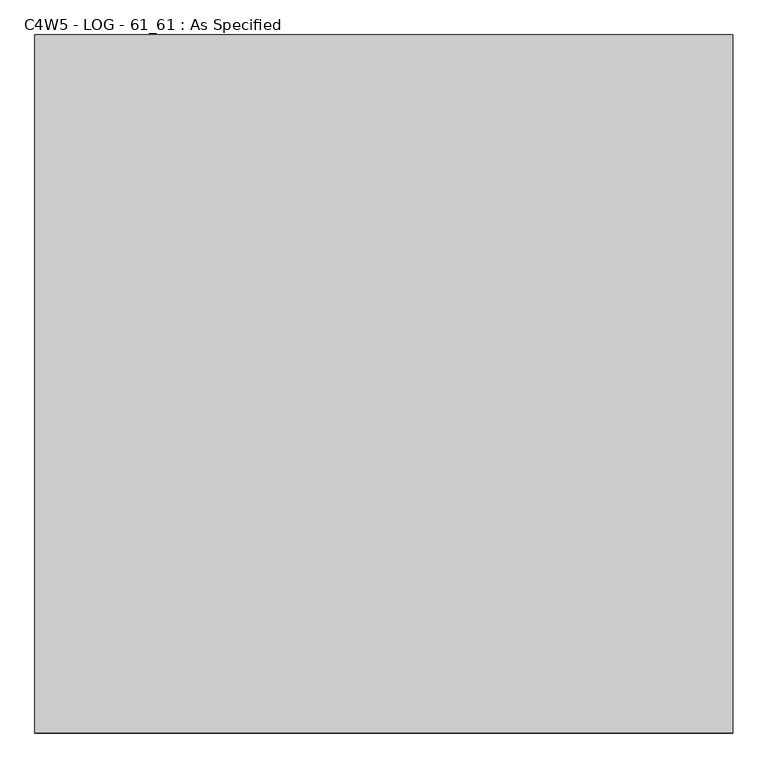
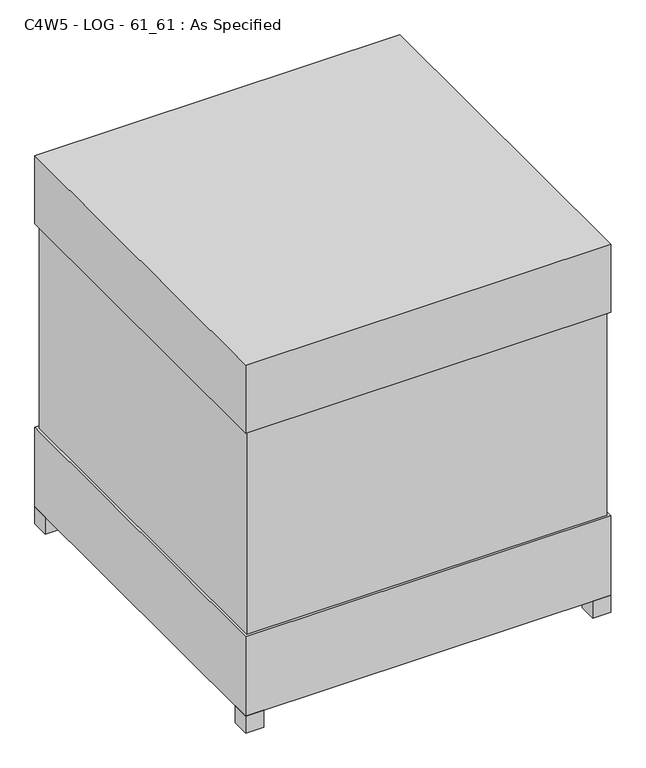
"""IFC4 building model written with IfcOpenShell, lengths in millimetres: proxy geometry, C4W5 - LOG - 61_61 : As Specified."""

from ifc_helpers import new_model, si_unit, frame, origin, origin_with_axes, place, context, project, spatial, polyline, outline, extrude, source, transform, mapped, element, save


def c4w5_log_61_61_as_specified_0c2e6e3b(model_context):
    return source(origin(), model_context, "Body", "SweptSolid", [
        extrude(outline(polyline([(763.5875, 763.5875), (763.5875, -763.5875), (-763.5875, -763.5875), (-763.5875, 763.5875), (763.5875, 763.5875)])), frame((0.0, 0.0, 431.8), z_axis=(0.0, 0.0, 1.0), x_axis=(1.0, 0.0, 0.0)), (0.0, 0.0, 1.0), 914.4),
        extrude(outline(polyline([(774.7, 774.7), (774.7, -774.7), (-774.7, -774.7), (-774.7, 774.7), (774.7, 774.7)])), frame((0.0, 0.0, 1346.2), z_axis=(0.0, 0.0, 1.0), x_axis=(1.0, 0.0, 0.0)), (0.0, 0.0, 1.0), 304.8),
        extrude(outline(polyline([(660.4, 558.8), (660.4, 482.6), (584.2, 482.6), (584.2, 558.8), (660.4, 558.8)])), frame((0.0, 0.0, 50.8), z_axis=(0.0, 0.0, 1.0), x_axis=(1.0, 0.0, 0.0)), (0.0, 0.0, 1.0), 25.4),
        extrude(outline(polyline([(660.4, -482.6), (660.4, -558.8), (584.2, -558.8), (584.2, -482.6), (660.4, -482.6)])), frame((0.0, 0.0, 50.8), z_axis=(0.0, 0.0, 1.0), x_axis=(1.0, 0.0, 0.0)), (0.0, 0.0, 1.0), 25.4),
        extrude(outline(polyline([(-698.5, 774.7), (-698.5, 698.5), (-774.7, 698.5), (-774.7, 774.7), (-698.5, 774.7)])), origin_with_axes(), (0.0, 0.0, 1.0), 76.2),
        extrude(outline(polyline([(774.7, 774.7), (774.7, 698.5), (698.5, 698.5), (698.5, 774.7), (774.7, 774.7)])), origin_with_axes(), (0.0, 0.0, 1.0), 76.2),
        extrude(outline(polyline([(774.7, -698.5), (774.7, -774.7), (698.5, -774.7), (698.5, -698.5), (774.7, -698.5)])), origin_with_axes(), (0.0, 0.0, 1.0), 76.2),
        extrude(outline(polyline([(-698.5, -698.5), (-698.5, -774.7), (-774.7, -774.7), (-774.7, -698.5), (-698.5, -698.5)])), origin_with_axes(), (0.0, 0.0, 1.0), 76.2),
        extrude(outline(polyline([(774.7, 774.7), (774.7, -774.7), (-774.7, -774.7), (-774.7, 774.7), (774.7, 774.7)])), frame((0.0, 0.0, 76.2), z_axis=(0.0, 0.0, 1.0), x_axis=(1.0, 0.0, 0.0)), (0.0, 0.0, 1.0), 355.6),
    ])


if __name__ == "__main__":
    model = new_model("IFC4")
    model_context = context("Model", 3, world=origin())
    ifc_project = project(units=[si_unit("LENGTHUNIT", "METRE", prefix="MILLI")], contexts=[model_context])
    site = spatial("IfcSite", under=ifc_project)
    building = spatial("IfcBuilding", under=site)
    placement = place(None, origin())
    c4w5_log_61_61_as_specified_shape = c4w5_log_61_61_as_specified_0c2e6e3b(model_context)
    element("IfcBuildingElementProxy", 1, Name="C4W5 - LOG - 61_61 : As Specified", ObjectType="C4W5 - LOG - 61_61 : As Specified", at=placement, inside=building, context=model_context, shape_type="MappedRepresentation", body=[
        mapped(c4w5_log_61_61_as_specified_shape, transform((0.0, 0.0, 0.0), x_axis=(1.0, 0.0, 0.0), y_axis=(0.0, 1.0, 0.0), z_axis=(0.0, 0.0, 1.0))),
    ])
    save(model, "model.ifc")
